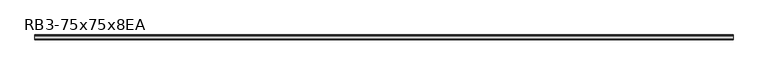
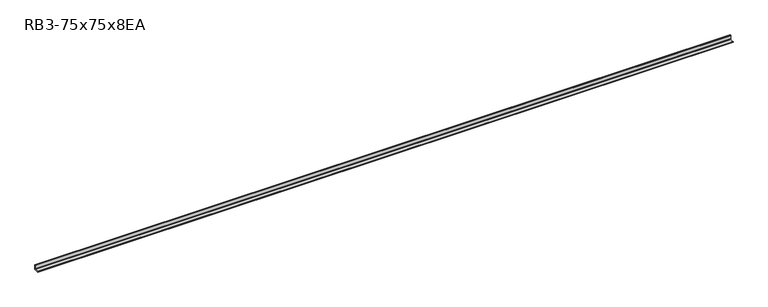
"""IFC4 building model written with IfcOpenShell, lengths in millimetres: member geometry, RB3-75x75x8EA."""

from ifc_helpers import new_model, si_unit, point, frame, frame_2d, origin, place, context, project, spatial, polyline, circle_curve, trimmed, segment, composite_curve, outline, extrude, source, transform, mapped, element, save


def rb3_75x75x8ea_11aeaf0b(model_context):
    return source(origin(), model_context, "Body", "SweptSolid", [
        extrude(outline(composite_curve([segment(polyline([(21.3, -21.3), (-53.7, -21.3), (-53.7, -18.3)]), True, "CONTINUOUS"), segment(trimmed(circle_curve(frame_2d((-48.7, -18.3)), 5.0), [point((-53.7, -18.3))], [point((-48.7, -13.3))], False, "CARTESIAN"), True, "CONTINUOUS"), segment(polyline([(-48.7, -13.3), (5.3, -13.3)]), True, "CONTINUOUS"), segment(trimmed(circle_curve(frame_2d((5.3, -5.3)), 8.0), [point((5.3, -13.3))], [point((13.3, -5.3))], True, "CARTESIAN"), True, "CONTINUOUS"), segment(polyline([(13.3, -5.3), (13.3, 48.7)]), True, "CONTINUOUS"), segment(trimmed(circle_curve(frame_2d((18.3, 48.7)), 5.0), [point((13.3, 48.7))], [point((18.3, 53.7))], False, "CARTESIAN"), True, "CONTINUOUS"), segment(polyline([(18.3, 53.7), (21.3, 53.7), (21.3, -21.3)]), True, "CONTINUOUS")], self_intersect=False)), frame((-5447.0, 0.0, 0.0), z_axis=(1.0, 0.0, 0.0), x_axis=(0.0, 1.0, 0.0)), (0.0, 0.0, 1.0), 10827.0),
    ])


if __name__ == "__main__":
    model = new_model("IFC4")
    model_context = context("Model", 3, world=origin())
    ifc_project = project(units=[si_unit("LENGTHUNIT", "METRE", prefix="MILLI")], contexts=[model_context])
    site = spatial("IfcSite", under=ifc_project)
    building = spatial("IfcBuilding", under=site)
    placement = place(None, origin())
    rb3_75x75x8ea_shape = rb3_75x75x8ea_11aeaf0b(model_context)
    element("IfcMember", 1, ObjectType="RB3-75x75x8EA", at=placement, inside=building, context=model_context, shape_type="MappedRepresentation", body=[
        mapped(rb3_75x75x8ea_shape, transform((0.0, 0.0, 0.0), x_axis=(1.0, 0.0, 0.0), y_axis=(0.0, 1.0, 0.0), z_axis=(0.0, 0.0, 1.0))),
    ])
    save(model, "model.ifc")
